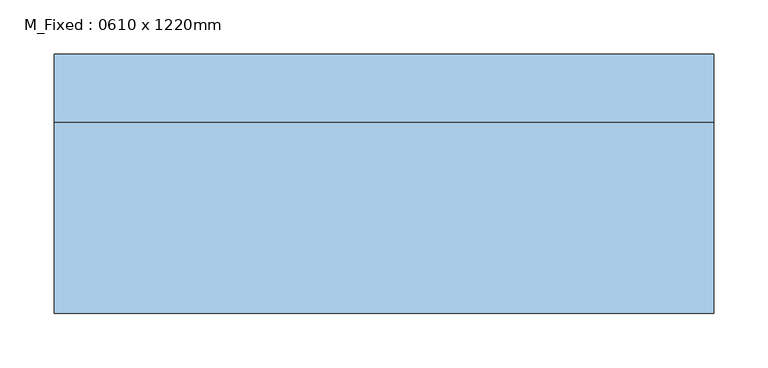
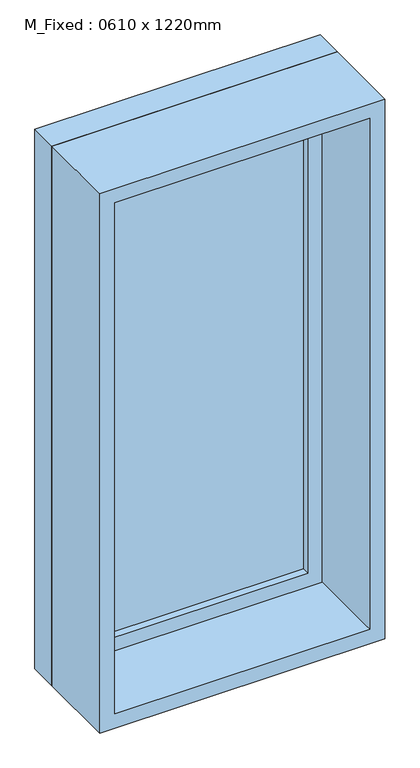
"""IFC4 building model written with IfcOpenShell, lengths in millimetres: window geometry, M_Fixed : 0610 x 1220mm."""

from ifc_helpers import new_model, si_unit, frame, origin, place, context, project, spatial, polyline, outline, extrude, source, transform, mapped, element, save


def m_fixed_0610_x_1220mm_c764d23a(model_context):
    return source(origin(), model_context, "Body", "SweptSolid", [
        extrude(outline(polyline([(-242.0, 98.0), (242.0, 98.0), (242.0, 86.0), (-242.0, 86.0), (-242.0, 98.0)])), frame((0.0, 0.0, 978.0), z_axis=(0.0, 0.0, 1.0), x_axis=(1.0, 0.0, 0.0)), (0.0, 0.0, 1.0), 1094.0),
        extrude(outline(polyline([(2116.0, -286.0), (934.0, -286.0), (934.0, 286.0), (2116.0, 286.0), (2116.0, -286.0)]), holes=[polyline([(2072.0, -242.0), (2072.0, 242.0), (978.0, 242.0), (978.0, -242.0), (2072.0, -242.0)])]), frame((0.0, 70.0, 0.0), z_axis=(0.0, 1.0, 0.0), x_axis=(0.0, 0.0, 1.0)), (0.0, 0.0, 1.0), 44.0),
        extrude(outline(polyline([(2135.0, -305.0), (915.0, -305.0), (915.0, 305.0), (2135.0, 305.0), (2135.0, -305.0)]), holes=[polyline([(2116.0, -286.0), (2116.0, 286.0), (934.0, 286.0), (934.0, -286.0), (2116.0, -286.0)])]), frame((0.0, 70.0, 0.0), z_axis=(0.0, 1.0, 0.0), x_axis=(0.0, 0.0, 1.0)), (0.0, 0.0, 1.0), 63.0),
        extrude(outline(polyline([(2135.0, -305.0), (915.0, -305.0), (915.0, 305.0), (2135.0, 305.0), (2135.0, -305.0)]), holes=[polyline([(2103.0, -273.0), (2103.0, 273.0), (947.0, 273.0), (947.0, -273.0), (2103.0, -273.0)])]), frame((0.0, -107.0, 0.0), z_axis=(0.0, 1.0, 0.0), x_axis=(0.0, 0.0, 1.0)), (0.0, 0.0, 1.0), 177.0),
    ])


if __name__ == "__main__":
    model = new_model("IFC4")
    model_context = context("Model", 3, world=origin())
    ifc_project = project(units=[si_unit("LENGTHUNIT", "METRE", prefix="MILLI")], contexts=[model_context])
    site = spatial("IfcSite", under=ifc_project)
    building = spatial("IfcBuilding", under=site)
    placement = place(None, origin())
    m_fixed_0610_x_1220mm_shape = m_fixed_0610_x_1220mm_c764d23a(model_context)
    element("IfcWindow", 1, ObjectType="M_Fixed : 0610 x 1220mm", at=placement, inside=building, context=model_context, shape_type="MappedRepresentation", body=[
        mapped(m_fixed_0610_x_1220mm_shape, transform((0.0, 0.0, 0.0), x_axis=(1.0, 0.0, 0.0), y_axis=(0.0, 1.0, 0.0), z_axis=(0.0, 0.0, 1.0))),
    ])
    save(model, "model.ifc")
